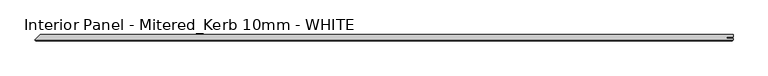
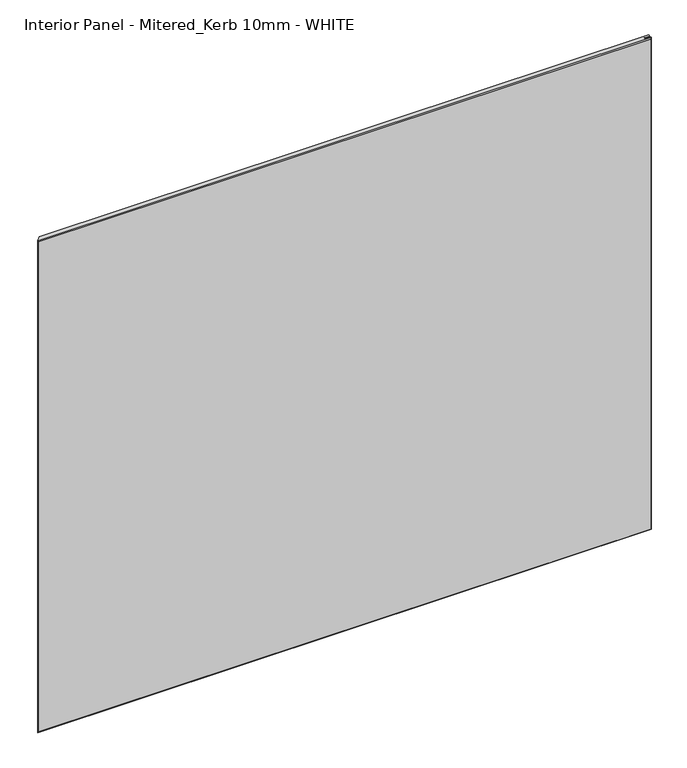
"""IFC4 building model written with IfcOpenShell, lengths in millimetres: proxy geometry, Interior Panel - Mitered_Kerb 10mm - WHITE."""

from ifc_helpers import new_model, si_unit, origin, place, context, project, spatial, faceted_brep, source, transform, mapped, element, save


def interior_panel_mitered_kerb_10mm_white_4c908ce5(model_context):
    return source(origin(), model_context, "Body", "Brep", [
        faceted_brep([(1006.078125, 3.175, 914.4), (-65.0875, 3.175, 914.4), (-73.025, -4.7625, 914.4), (1006.078125, -4.7625, 914.4), (1006.078125, -2.6543, 914.4), (996.2554687, -2.6543, 914.4), (996.2554687, -0.5207, 914.4), (1006.078125, -0.5207, 914.4), (1006.078125, 3.175, 0.0), (1006.078125, -0.5207, 0.0), (996.2554687, -0.5207, 0.0), (996.2554687, -2.6543, 0.0), (1006.078125, -2.6543, 0.0), (1006.078125, -4.7625, 0.0), (-73.025, -4.7625, 0.0), (-65.0875, 3.175, 0.0), (-71.4375, -6.35, 912.8125), (-71.4375, -6.35, 1.5875), (1004.490625, -6.35, 1.5875), (1004.490625, -6.35, 912.8125)], [[[0, 1, 2, 3, 4, 5, 6, 7]], [[8, 9, 10, 11, 12, 13, 14, 15]], [[1, 0, 8, 15]], [[16, 17, 18, 19]], [[4, 3, 13, 12]], [[13, 3, 19, 18]], [[3, 2, 16, 19]], [[14, 13, 18, 17]], [[5, 4, 12, 11]], [[6, 5, 11, 10]], [[7, 6, 10, 9]], [[0, 7, 9, 8]], [[2, 1, 15, 14]], [[2, 14, 17, 16]]]),
    ])


if __name__ == "__main__":
    model = new_model("IFC4")
    model_context = context("Model", 3, world=origin())
    ifc_project = project(units=[si_unit("LENGTHUNIT", "METRE", prefix="MILLI")], contexts=[model_context])
    site = spatial("IfcSite", under=ifc_project)
    building = spatial("IfcBuilding", under=site)
    placement = place(None, origin())
    interior_panel_mitered_kerb_10mm_white_shape = interior_panel_mitered_kerb_10mm_white_4c908ce5(model_context)
    element("IfcBuildingElementProxy", 1, Name="Interior Panel - Mitered_Kerb 10mm - WHITE", ObjectType="Interior Panel - Mitered_Kerb 10mm - WHITE", at=placement, inside=building, context=model_context, shape_type="MappedRepresentation", body=[
        mapped(interior_panel_mitered_kerb_10mm_white_shape, transform((0.0, 0.0, 0.0), x_axis=(1.0, 0.0, 0.0), y_axis=(0.0, 1.0, 0.0), z_axis=(0.0, 0.0, 1.0))),
    ])
    save(model, "model.ifc")
